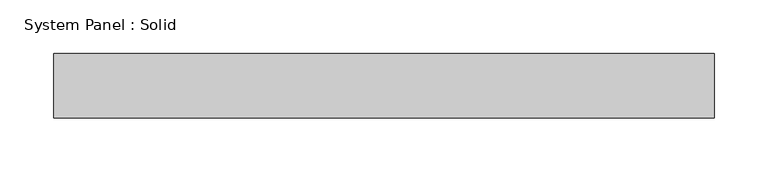
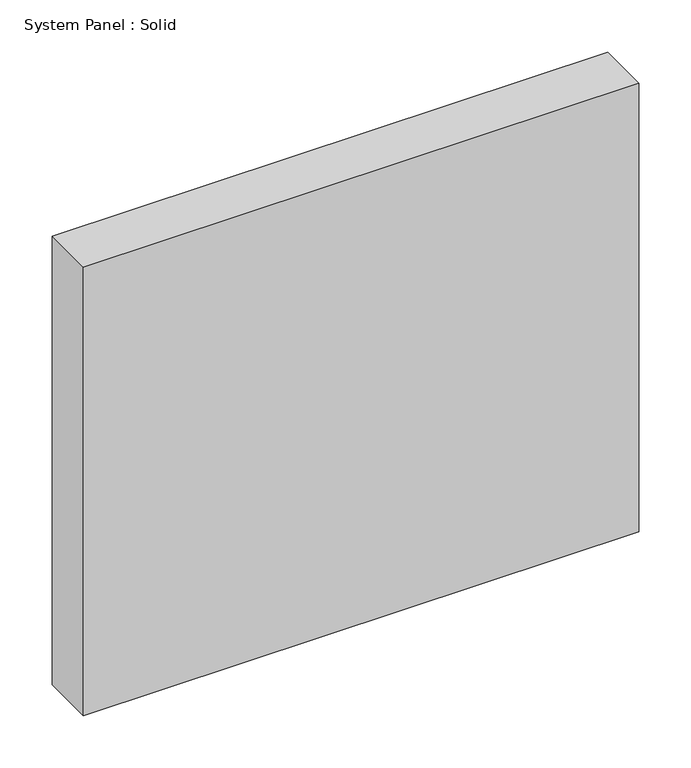
"""IFC4 building model written with IfcOpenShell, lengths in millimetres: plate geometry, System Panel : Solid."""

from ifc_helpers import new_model, si_unit, origin, origin_with_axes, place, context, project, spatial, polyline, outline, extrude, source, transform, mapped, element, save


def system_panel_solid_c9dba59c(model_context):
    return source(origin(), model_context, "Body", "SweptSolid", [
        extrude(outline(polyline([(307.3318148, -49.5), (-307.3318148, -49.5), (-307.3318148, 10.5), (307.3318148, 10.5), (307.3318148, -49.5)])), origin_with_axes(), (0.0, 0.0, 1.0), 525.0),
    ])


if __name__ == "__main__":
    model = new_model("IFC4")
    model_context = context("Model", 3, world=origin())
    ifc_project = project(units=[si_unit("LENGTHUNIT", "METRE", prefix="MILLI")], contexts=[model_context])
    site = spatial("IfcSite", under=ifc_project)
    building = spatial("IfcBuilding", under=site)
    placement = place(None, origin())
    system_panel_solid_shape = system_panel_solid_c9dba59c(model_context)
    element("IfcPlate", 1, ObjectType="System Panel : Solid", at=placement, inside=building, context=model_context, shape_type="MappedRepresentation", body=[
        mapped(system_panel_solid_shape, transform((0.0, 0.0, 0.0), x_axis=(1.0, 0.0, 0.0), y_axis=(0.0, 1.0, 0.0), z_axis=(0.0, 0.0, 1.0))),
    ])
    save(model, "model.ifc")
